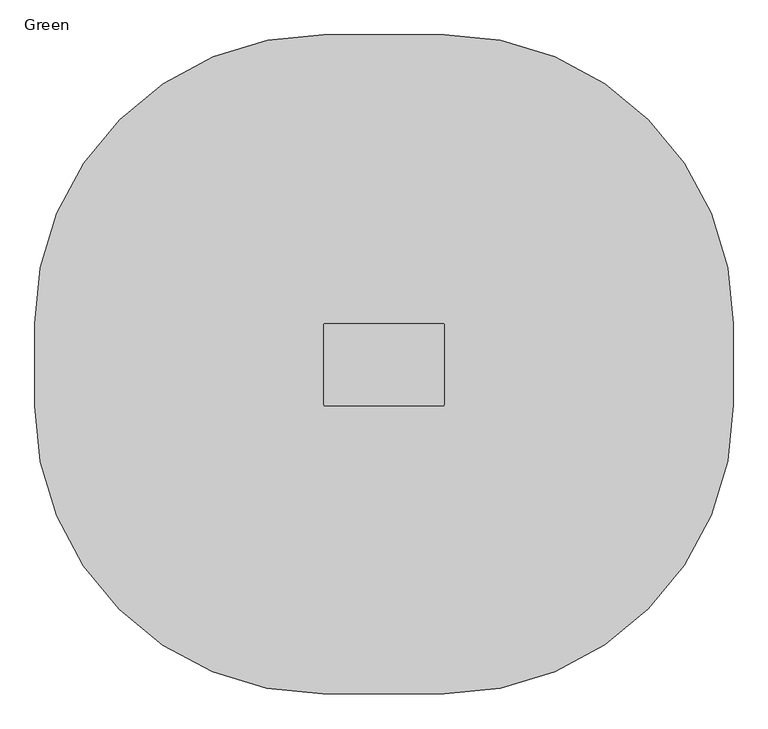
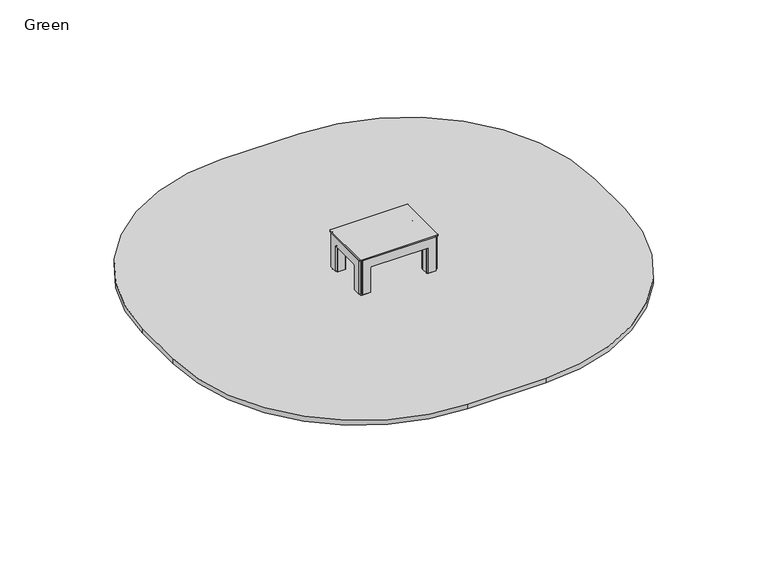
"""IFC4 building model written with IfcOpenShell, lengths in millimetres: furniture geometry, Green."""

from ifc_helpers import new_model, si_unit, point, frame, frame_2d, origin, place, context, project, spatial, polyline, circle_curve, trimmed, segment, composite_curve, outline, extrude, source, transform, mapped, element, save
from ifc_brep_helpers import plane_surface, cylinder_surface, extruded_surface, advanced_brep


def green_2e5a3dc1(model_context):
    return source(origin(), model_context, "Body", "SolidModel", [
        extrude(outline(composite_curve([segment(trimmed(circle_curve(frame_2d((295.0, 300.0)), 5.0), [point((300.0, 300.0))], [point((295.0, 295.0))], False, "CARTESIAN"), True, "CONTINUOUS"), segment(polyline([(295.0, 295.0), (235.0, 295.0)]), True, "CONTINUOUS"), segment(trimmed(circle_curve(frame_2d((235.0, 300.0)), 5.0), [point((235.0, 295.0))], [point((230.0, 300.0))], False, "CARTESIAN"), True, "CONTINUOUS"), segment(polyline([(230.0, 300.0), (230.0, 360.0)]), True, "CONTINUOUS"), segment(trimmed(circle_curve(frame_2d((235.0, 360.0)), 5.0), [point((230.0, 360.0))], [point((235.0, 365.0))], False, "CARTESIAN"), True, "CONTINUOUS"), segment(polyline([(235.0, 365.0), (295.0, 365.0)]), True, "CONTINUOUS"), segment(trimmed(circle_curve(frame_2d((295.0, 360.0)), 5.0), [point((295.0, 365.0))], [point((300.0, 360.0))], False, "CARTESIAN"), True, "CONTINUOUS"), segment(polyline([(300.0, 360.0), (300.0, 300.0)]), True, "CONTINUOUS")], self_intersect=False)), frame((0.0, 0.0, -600.0), z_axis=(0.0, 0.0, 1.0), x_axis=(1.0, 0.0, 0.0)), (0.0, 0.0, 1.0), 500.0),
        advanced_brep(
        [(355.0, 480.0, -600.0), (415.0, 420.0, -600.0), (415.0, 240.0, -600.0), (355.0, 180.0, -600.0), (175.0, 180.0, -600.0), (115.0, 240.0, -600.0), (115.0, 420.0, -600.0), (175.0, 480.0, -600.0), (175.0, 480.0, -460.0), (355.0, 480.0, -460.0), (115.0, 240.0, -460.0), (115.0, 420.0, -460.0), (355.0, 180.0, -460.0), (175.0, 180.0, -460.0), (415.0, 420.0, -460.0), (415.0, 240.0, -460.0), (252.7040451, 402.6989403, -250.0), (192.7040451, 342.6989403, -250.0), (192.7040451, 317.3010597, -250.0), (252.7040451, 257.3010597, -250.0), (277.2959549, 257.3010597, -250.0), (337.2959549, 317.3010597, -250.0), (337.2959549, 342.6989403, -250.0), (277.2959549, 402.6989403, -250.0)],
        [
            (0, 1, circle_curve(frame((355.0, 420.0, -600.0), z_axis=(0.0, 0.0, -1.0), x_axis=(1.0, 0.0, 0.0)), 60.0)),
            (1, 2),
            (2, 3, circle_curve(frame((355.0, 240.0, -600.0), z_axis=(0.0, 0.0, -1.0), x_axis=(1.0, 0.0, 0.0)), 60.0)),
            (3, 4),
            (4, 5, circle_curve(frame((175.0, 240.0, -600.0), z_axis=(0.0, 0.0, -1.0), x_axis=(1.0, 0.0, 0.0)), 60.0)),
            (5, 6),
            (6, 7, circle_curve(frame((175.0, 420.0, -600.0), z_axis=(0.0, 0.0, -1.0), x_axis=(1.0, 0.0, 0.0)), 60.0)),
            (7, 0),
            (7, 8),
            (8, 9),
            (9, 0),
            (5, 10),
            (10, 11),
            (11, 6),
            (3, 12),
            (12, 13),
            (13, 4),
            (1, 14),
            (14, 15),
            (15, 2),
            (16, 17, circle_curve(frame((252.7040451, 342.6989403, -250.0), z_axis=(0.0, 0.0, 1.0), x_axis=(1.0, 0.0, 0.0)), 60.0)),
            (17, 18),
            (18, 19, circle_curve(frame((252.7040451, 317.3010597, -250.0), z_axis=(0.0, 0.0, 1.0), x_axis=(1.0, 0.0, 0.0)), 60.0)),
            (19, 20),
            (20, 21, circle_curve(frame((277.2959549, 317.3010597, -250.0), z_axis=(0.0, 0.0, 1.0), x_axis=(1.0, 0.0, 0.0)), 60.0)),
            (21, 22),
            (22, 23, circle_curve(frame((277.2959549, 342.6989403, -250.0), z_axis=(0.0, 0.0, 1.0), x_axis=(1.0, 0.0, 0.0)), 60.0)),
            (23, 16),
            (17, 11),
            (10, 18),
            (19, 13),
            (12, 20),
            (21, 15),
            (14, 22),
            (23, 9),
            (8, 16),
            (11, 8, circle_curve(frame((175.0, 420.0, -460.0), z_axis=(0.0, 0.0, -1.0), x_axis=(1.0, 0.0, 0.0)), 60.0)),
            (13, 10, circle_curve(frame((175.0, 240.0, -460.0), z_axis=(0.0, 0.0, -1.0), x_axis=(1.0, 0.0, 0.0)), 60.0)),
            (15, 12, circle_curve(frame((355.0, 240.0, -460.0), z_axis=(0.0, 0.0, -1.0), x_axis=(1.0, 0.0, 0.0)), 60.0)),
            (9, 14, circle_curve(frame((355.0, 420.0, -460.0), z_axis=(0.0, 0.0, -1.0), x_axis=(1.0, 0.0, 0.0)), 60.0)),
        ],
        [
            plane_surface(frame((88.3670318, 480.0, -600.0), z_axis=(0.0, 0.0, -1.0), x_axis=(1.0, 0.0, 0.0))),
            plane_surface(frame((355.0, 480.0, -460.0), z_axis=(0.0, 1.0, 0.0), x_axis=(0.0, 0.0, -1.0))),
            plane_surface(frame((115.0, 420.0, -460.0), z_axis=(-1.0, 0.0, 0.0), x_axis=(0.0, 0.0, -1.0))),
            plane_surface(frame((175.0, 180.0, -460.0), z_axis=(0.0, -1.0, 0.0), x_axis=(0.0, 0.0, -1.0))),
            plane_surface(frame((415.0, 240.0, -460.0), z_axis=(1.0, 0.0, 0.0), x_axis=(0.0, 0.0, -1.0))),
            plane_surface(frame((265.0, 330.0, -250.0), z_axis=(0.0, 0.0, 1.0), x_axis=(-1.0, 0.0, 0.0))),
            plane_surface(frame((115.0, 330.0, -460.0), z_axis=(-0.9378559633153523, 0.0, 0.3470247715564883), x_axis=(0.0, -1.0, 0.0))),
            plane_surface(frame((265.0, 180.0, -460.0), z_axis=(0.0, -0.9384407279810882, 0.3454402988452927), x_axis=(1.0, 0.0, 0.0))),
            plane_surface(frame((415.0, 330.0, -460.0), z_axis=(0.9378559633153524, 0.0, 0.34702477155648764), x_axis=(0.0, 1.0, 0.0))),
            plane_surface(frame((265.0, 480.0, -460.0), z_axis=(0.0, 0.9384407279810884, 0.3454402988452924), x_axis=(-1.0, 0.0, 0.0))),
            cylinder_surface(frame((175.0, 420.0, -600.0), z_axis=(0.0, 0.0, 1.0), x_axis=(1.0, 0.0, 0.0)), 60.0),
            cylinder_surface(frame((175.0, 240.0, -600.0), z_axis=(0.0, 0.0, 1.0), x_axis=(1.0, 0.0, 0.0)), 60.0),
            cylinder_surface(frame((355.0, 240.0, -600.0), z_axis=(0.0, 0.0, 1.0), x_axis=(1.0, 0.0, 0.0)), 60.0),
            cylinder_surface(frame((355.0, 420.0, -600.0), z_axis=(0.0, 0.0, 1.0), x_axis=(1.0, 0.0, 0.0)), 60.0),
            extruded_surface(trimmed(circle_curve(frame((175.0, 420.0, -460.0), z_axis=(0.0, 0.0, 1.0), x_axis=(1.0, 0.0, 0.0)), 60.0), [point((175.0, 480.0, -460.0))], [point((115.0, 420.0, -460.0))], True, "CARTESIAN"), (77.7040451, -77.3010597, 210.0), 236.8826132404947),
            extruded_surface(trimmed(circle_curve(frame((355.0, 420.0, -460.0), z_axis=(0.0, 0.0, 1.0), x_axis=(1.0, 0.0, 0.0)), 60.0), [point((415.0, 420.0, -460.0))], [point((355.0, 480.0, -460.0))], True, "CARTESIAN"), (-77.70404509999997, -77.3010597, 210.0), 236.8826132404947),
            extruded_surface(trimmed(circle_curve(frame((175.0, 240.0, -460.0), z_axis=(0.0, 0.0, 1.0), x_axis=(1.0, 0.0, 0.0)), 60.0), [point((115.0, 240.0, -460.0))], [point((175.0, 180.0, -460.0))], True, "CARTESIAN"), (77.7040451, 77.3010597, 210.0), 236.8826132404947),
            extruded_surface(trimmed(circle_curve(frame((355.0, 240.0, -460.0), z_axis=(0.0, 0.0, 1.0), x_axis=(1.0, 0.0, 0.0)), 60.0), [point((355.0, 180.0, -460.0))], [point((415.0, 240.0, -460.0))], True, "CARTESIAN"), (-77.70404509999997, 77.3010597, 210.0), 236.8826132404947),
        ],
        [
            (0, [[1, 2, 3, 4, 5, 6, 7, 8]]),
            (1, [[-8, 9, 10, 11]]),
            (2, [[-6, 12, 13, 14]]),
            (3, [[-4, 15, 16, 17]]),
            (4, [[-2, 18, 19, 20]]),
            (5, [[21, 22, 23, 24, 25, 26, 27, 28]]),
            (6, [[-22, 29, -13, 30]]),
            (7, [[-24, 31, -16, 32]]),
            (8, [[-26, 33, -19, 34]]),
            (9, [[-28, 35, -10, 36]]),
            (10, [[-7, -14, 37, -9]]),
            (11, [[-5, -17, 38, -12]]),
            (12, [[-3, -20, 39, -15]]),
            (13, [[-1, -11, 40, -18]]),
            (14, [[-21, -36, -37, -29]]),
            (15, [[-27, -34, -40, -35]]),
            (16, [[-23, -30, -38, -31]]),
            (17, [[-25, -32, -39, -33]]),
        ],
    ),
        extrude(outline(composite_curve([segment(trimmed(circle_curve(frame_2d((295.0, -30.0)), 5.0), [point((300.0, -30.0))], [point((295.0, -35.0))], False, "CARTESIAN"), True, "CONTINUOUS"), segment(polyline([(295.0, -35.0), (235.0, -35.0)]), True, "CONTINUOUS"), segment(trimmed(circle_curve(frame_2d((235.0, -30.0)), 5.0), [point((235.0, -35.0))], [point((230.0, -30.0))], False, "CARTESIAN"), True, "CONTINUOUS"), segment(polyline([(230.0, -30.0), (230.0, 30.0)]), True, "CONTINUOUS"), segment(trimmed(circle_curve(frame_2d((235.0, 30.0)), 5.0), [point((230.0, 30.0))], [point((235.0, 35.0))], False, "CARTESIAN"), True, "CONTINUOUS"), segment(polyline([(235.0, 35.0), (295.0, 35.0)]), True, "CONTINUOUS"), segment(trimmed(circle_curve(frame_2d((295.0, 30.0)), 5.0), [point((295.0, 35.0))], [point((300.0, 30.0))], False, "CARTESIAN"), True, "CONTINUOUS"), segment(polyline([(300.0, 30.0), (300.0, -30.0)]), True, "CONTINUOUS")], self_intersect=False)), frame((0.0, 0.0, -600.0), z_axis=(0.0, 0.0, 1.0), x_axis=(1.0, 0.0, 0.0)), (0.0, 0.0, 1.0), 500.0),
        advanced_brep(
        [(355.0, 150.0, -600.0), (415.0, 90.0, -600.0), (415.0, -90.0, -600.0), (355.0, -150.0, -600.0), (175.0, -150.0, -600.0), (115.0, -90.0, -600.0), (115.0, 90.0, -600.0), (175.0, 150.0, -600.0), (175.0, 150.0, -460.0), (355.0, 150.0, -460.0), (115.0, -90.0, -460.0), (115.0, 90.0, -460.0), (355.0, -150.0, -460.0), (175.0, -150.0, -460.0), (415.0, 90.0, -460.0), (415.0, -90.0, -460.0), (252.7040451, 72.6989403, -250.0), (192.7040451, 12.6989403, -250.0), (192.7040451, -12.6989403, -250.0), (252.7040451, -72.6989403, -250.0), (277.2959549, -72.6989403, -250.0), (337.2959549, -12.6989403, -250.0), (337.2959549, 12.6989403, -250.0), (277.2959549, 72.6989403, -250.0)],
        [
            (0, 1, circle_curve(frame((355.0, 90.0, -600.0), z_axis=(0.0, 0.0, -1.0), x_axis=(1.0, 0.0, 0.0)), 60.0)),
            (1, 2),
            (2, 3, circle_curve(frame((355.0, -90.0, -600.0), z_axis=(0.0, 0.0, -1.0), x_axis=(1.0, 0.0, 0.0)), 60.0)),
            (3, 4),
            (4, 5, circle_curve(frame((175.0, -90.0, -600.0), z_axis=(0.0, 0.0, -1.0), x_axis=(1.0, 0.0, 0.0)), 60.0)),
            (5, 6),
            (6, 7, circle_curve(frame((175.0, 90.0, -600.0), z_axis=(0.0, 0.0, -1.0), x_axis=(1.0, 0.0, 0.0)), 60.0)),
            (7, 0),
            (7, 8),
            (8, 9),
            (9, 0),
            (5, 10),
            (10, 11),
            (11, 6),
            (3, 12),
            (12, 13),
            (13, 4),
            (1, 14),
            (14, 15),
            (15, 2),
            (16, 17, circle_curve(frame((252.7040451, 12.6989403, -250.0), z_axis=(0.0, 0.0, 1.0), x_axis=(1.0, 0.0, 0.0)), 60.0)),
            (17, 18),
            (18, 19, circle_curve(frame((252.7040451, -12.6989403, -250.0), z_axis=(0.0, 0.0, 1.0), x_axis=(1.0, 0.0, 0.0)), 60.0)),
            (19, 20),
            (20, 21, circle_curve(frame((277.2959549, -12.6989403, -250.0), z_axis=(0.0, 0.0, 1.0), x_axis=(1.0, 0.0, 0.0)), 60.0)),
            (21, 22),
            (22, 23, circle_curve(frame((277.2959549, 12.6989403, -250.0), z_axis=(0.0, 0.0, 1.0), x_axis=(1.0, 0.0, 0.0)), 60.0)),
            (23, 16),
            (17, 11),
            (10, 18),
            (19, 13),
            (12, 20),
            (21, 15),
            (14, 22),
            (23, 9),
            (8, 16),
            (11, 8, circle_curve(frame((175.0, 90.0, -460.0), z_axis=(0.0, 0.0, -1.0), x_axis=(1.0, 0.0, 0.0)), 60.0)),
            (13, 10, circle_curve(frame((175.0, -90.0, -460.0), z_axis=(0.0, 0.0, -1.0), x_axis=(1.0, 0.0, 0.0)), 60.0)),
            (15, 12, circle_curve(frame((355.0, -90.0, -460.0), z_axis=(0.0, 0.0, -1.0), x_axis=(1.0, 0.0, 0.0)), 60.0)),
            (9, 14, circle_curve(frame((355.0, 90.0, -460.0), z_axis=(0.0, 0.0, -1.0), x_axis=(1.0, 0.0, 0.0)), 60.0)),
        ],
        [
            plane_surface(frame((88.3670318, 150.0, -600.0), z_axis=(0.0, 0.0, -1.0), x_axis=(1.0, 0.0, 0.0))),
            plane_surface(frame((355.0, 150.0, -460.0), z_axis=(0.0, 1.0, 0.0), x_axis=(0.0, 0.0, -1.0))),
            plane_surface(frame((115.0, 90.0, -460.0), z_axis=(-1.0, 0.0, 0.0), x_axis=(0.0, 0.0, -1.0))),
            plane_surface(frame((175.0, -150.0, -460.0), z_axis=(0.0, -1.0, 0.0), x_axis=(0.0, 0.0, -1.0))),
            plane_surface(frame((415.0, -90.0, -460.0), z_axis=(1.0, 0.0, 0.0), x_axis=(0.0, 0.0, -1.0))),
            plane_surface(frame((265.0, 0.0, -250.0), z_axis=(0.0, 0.0, 1.0), x_axis=(-1.0, 0.0, 0.0))),
            plane_surface(frame((115.0, 0.0, -460.0), z_axis=(-0.9378559633153523, 0.0, 0.3470247715564883), x_axis=(0.0, -1.0, 0.0))),
            plane_surface(frame((265.0, -150.0, -460.0), z_axis=(0.0, -0.9384407279810882, 0.3454402988452927), x_axis=(1.0, 0.0, 0.0))),
            plane_surface(frame((415.0, 0.0, -460.0), z_axis=(0.9378559633153524, 0.0, 0.34702477155648764), x_axis=(0.0, 1.0, 0.0))),
            plane_surface(frame((265.0, 150.0, -460.0), z_axis=(0.0, 0.9384407279810884, 0.3454402988452924), x_axis=(-1.0, 0.0, 0.0))),
            cylinder_surface(frame((175.0, 90.0, -600.0), z_axis=(0.0, 0.0, 1.0), x_axis=(1.0, 0.0, 0.0)), 60.0),
            cylinder_surface(frame((175.0, -90.0, -600.0), z_axis=(0.0, 0.0, 1.0), x_axis=(1.0, 0.0, 0.0)), 60.0),
            cylinder_surface(frame((355.0, -90.0, -600.0), z_axis=(0.0, 0.0, 1.0), x_axis=(1.0, 0.0, 0.0)), 60.0),
            cylinder_surface(frame((355.0, 90.0, -600.0), z_axis=(0.0, 0.0, 1.0), x_axis=(1.0, 0.0, 0.0)), 60.0),
            extruded_surface(trimmed(circle_curve(frame((175.0, 90.0, -460.0), z_axis=(0.0, 0.0, 1.0), x_axis=(1.0, 0.0, 0.0)), 60.0), [point((175.0, 150.0, -460.0))], [point((115.0, 90.0, -460.0))], True, "CARTESIAN"), (77.7040451, -77.3010597, 210.0), 236.8826132404947),
            extruded_surface(trimmed(circle_curve(frame((355.0, 90.0, -460.0), z_axis=(0.0, 0.0, 1.0), x_axis=(1.0, 0.0, 0.0)), 60.0), [point((415.0, 90.0, -460.0))], [point((355.0, 150.0, -460.0))], True, "CARTESIAN"), (-77.70404509999997, -77.3010597, 210.0), 236.8826132404947),
            extruded_surface(trimmed(circle_curve(frame((175.0, -90.0, -460.0), z_axis=(0.0, 0.0, 1.0), x_axis=(1.0, 0.0, 0.0)), 60.0), [point((115.0, -90.0, -460.0))], [point((175.0, -150.0, -460.0))], True, "CARTESIAN"), (77.7040451, 77.3010597, 210.0), 236.8826132404947),
            extruded_surface(trimmed(circle_curve(frame((355.0, -90.0, -460.0), z_axis=(0.0, 0.0, 1.0), x_axis=(1.0, 0.0, 0.0)), 60.0), [point((355.0, -150.0, -460.0))], [point((415.0, -90.0, -460.0))], True, "CARTESIAN"), (-77.70404509999997, 77.3010597, 210.0), 236.8826132404947),
        ],
        [
            (0, [[1, 2, 3, 4, 5, 6, 7, 8]]),
            (1, [[-8, 9, 10, 11]]),
            (2, [[-6, 12, 13, 14]]),
            (3, [[-4, 15, 16, 17]]),
            (4, [[-2, 18, 19, 20]]),
            (5, [[21, 22, 23, 24, 25, 26, 27, 28]]),
            (6, [[-22, 29, -13, 30]]),
            (7, [[-24, 31, -16, 32]]),
            (8, [[-26, 33, -19, 34]]),
            (9, [[-28, 35, -10, 36]]),
            (10, [[-7, -14, 37, -9]]),
            (11, [[-5, -17, 38, -12]]),
            (12, [[-3, -20, 39, -15]]),
            (13, [[-1, -11, 40, -18]]),
            (14, [[-21, -36, -37, -29]]),
            (15, [[-27, -34, -40, -35]]),
            (16, [[-23, -30, -38, -31]]),
            (17, [[-25, -32, -39, -33]]),
        ],
    ),
        extrude(outline(composite_curve([segment(trimmed(circle_curve(frame_2d((-235.0, -30.0)), 5.0), [point((-230.0, -30.0))], [point((-235.0, -35.0))], False, "CARTESIAN"), True, "CONTINUOUS"), segment(polyline([(-235.0, -35.0), (-295.0, -35.0)]), True, "CONTINUOUS"), segment(trimmed(circle_curve(frame_2d((-295.0, -30.0)), 5.0), [point((-295.0, -35.0))], [point((-300.0, -30.0))], False, "CARTESIAN"), True, "CONTINUOUS"), segment(polyline([(-300.0, -30.0), (-300.0, 30.0)]), True, "CONTINUOUS"), segment(trimmed(circle_curve(frame_2d((-295.0, 30.0)), 5.0), [point((-300.0, 30.0))], [point((-295.0, 35.0))], False, "CARTESIAN"), True, "CONTINUOUS"), segment(polyline([(-295.0, 35.0), (-235.0, 35.0)]), True, "CONTINUOUS"), segment(trimmed(circle_curve(frame_2d((-235.0, 30.0)), 5.0), [point((-235.0, 35.0))], [point((-230.0, 30.0))], False, "CARTESIAN"), True, "CONTINUOUS"), segment(polyline([(-230.0, 30.0), (-230.0, -30.0)]), True, "CONTINUOUS")], self_intersect=False)), frame((0.0, 0.0, -600.0), z_axis=(0.0, 0.0, 1.0), x_axis=(1.0, 0.0, 0.0)), (0.0, 0.0, 1.0), 500.0),
        advanced_brep(
        [(-175.0, 150.0, -600.0), (-115.0, 90.0, -600.0), (-115.0, -90.0, -600.0), (-175.0, -150.0, -600.0), (-355.0, -150.0, -600.0), (-415.0, -90.0, -600.0), (-415.0, 90.0, -600.0), (-355.0, 150.0, -600.0), (-355.0, 150.0, -460.0), (-175.0, 150.0, -460.0), (-415.0, -90.0, -460.0), (-415.0, 90.0, -460.0), (-175.0, -150.0, -460.0), (-355.0, -150.0, -460.0), (-115.0, 90.0, -460.0), (-115.0, -90.0, -460.0), (-277.2959549, 72.6989403, -250.0), (-337.2959549, 12.6989403, -250.0), (-337.2959549, -12.6989403, -250.0), (-277.2959549, -72.6989403, -250.0), (-252.7040451, -72.6989403, -250.0), (-192.7040451, -12.6989403, -250.0), (-192.7040451, 12.6989403, -250.0), (-252.7040451, 72.6989403, -250.0)],
        [
            (0, 1, circle_curve(frame((-175.0, 90.0, -600.0), z_axis=(0.0, 0.0, -1.0), x_axis=(1.0, 0.0, 0.0)), 60.0)),
            (1, 2),
            (2, 3, circle_curve(frame((-175.0, -90.0, -600.0), z_axis=(0.0, 0.0, -1.0), x_axis=(1.0, 0.0, 0.0)), 60.0)),
            (3, 4),
            (4, 5, circle_curve(frame((-355.0, -90.0, -600.0), z_axis=(0.0, 0.0, -1.0), x_axis=(1.0, 0.0, 0.0)), 60.0)),
            (5, 6),
            (6, 7, circle_curve(frame((-355.0, 90.0, -600.0), z_axis=(0.0, 0.0, -1.0), x_axis=(1.0, 0.0, 0.0)), 60.0)),
            (7, 0),
            (7, 8),
            (8, 9),
            (9, 0),
            (5, 10),
            (10, 11),
            (11, 6),
            (3, 12),
            (12, 13),
            (13, 4),
            (1, 14),
            (14, 15),
            (15, 2),
            (16, 17, circle_curve(frame((-277.2959549, 12.6989403, -250.0), z_axis=(0.0, 0.0, 1.0), x_axis=(1.0, 0.0, 0.0)), 60.0)),
            (17, 18),
            (18, 19, circle_curve(frame((-277.2959549, -12.6989403, -250.0), z_axis=(0.0, 0.0, 1.0), x_axis=(1.0, 0.0, 0.0)), 60.0)),
            (19, 20),
            (20, 21, circle_curve(frame((-252.7040451, -12.6989403, -250.0), z_axis=(0.0, 0.0, 1.0), x_axis=(1.0, 0.0, 0.0)), 60.0)),
            (21, 22),
            (22, 23, circle_curve(frame((-252.7040451, 12.6989403, -250.0), z_axis=(0.0, 0.0, 1.0), x_axis=(1.0, 0.0, 0.0)), 60.0)),
            (23, 16),
            (17, 11),
            (10, 18),
            (19, 13),
            (12, 20),
            (21, 15),
            (14, 22),
            (23, 9),
            (8, 16),
            (11, 8, circle_curve(frame((-355.0, 90.0, -460.0), z_axis=(0.0, 0.0, -1.0), x_axis=(1.0, 0.0, 0.0)), 60.0)),
            (13, 10, circle_curve(frame((-355.0, -90.0, -460.0), z_axis=(0.0, 0.0, -1.0), x_axis=(1.0, 0.0, 0.0)), 60.0)),
            (15, 12, circle_curve(frame((-175.0, -90.0, -460.0), z_axis=(0.0, 0.0, -1.0), x_axis=(1.0, 0.0, 0.0)), 60.0)),
            (9, 14, circle_curve(frame((-175.0, 90.0, -460.0), z_axis=(0.0, 0.0, -1.0), x_axis=(1.0, 0.0, 0.0)), 60.0)),
        ],
        [
            plane_surface(frame((-441.6329682, 150.0, -600.0), z_axis=(0.0, 0.0, -1.0), x_axis=(1.0, 0.0, 0.0))),
            plane_surface(frame((-175.0, 150.0, -460.0), z_axis=(0.0, 1.0, 0.0), x_axis=(0.0, 0.0, -1.0))),
            plane_surface(frame((-415.0, 90.0, -460.0), z_axis=(-1.0, 0.0, 0.0), x_axis=(0.0, 0.0, -1.0))),
            plane_surface(frame((-355.0, -150.0, -460.0), z_axis=(0.0, -1.0, 0.0), x_axis=(0.0, 0.0, -1.0))),
            plane_surface(frame((-115.0, -90.0, -460.0), z_axis=(1.0, 0.0, 0.0), x_axis=(0.0, 0.0, -1.0))),
            plane_surface(frame((-265.0, 0.0, -250.0), z_axis=(0.0, 0.0, 1.0), x_axis=(-1.0, 0.0, 0.0))),
            plane_surface(frame((-415.0, 0.0, -460.0), z_axis=(-0.9378559633153523, 0.0, 0.3470247715564883), x_axis=(0.0, -1.0, 0.0))),
            plane_surface(frame((-265.0, -150.0, -460.0), z_axis=(0.0, -0.9384407279810882, 0.3454402988452927), x_axis=(1.0, 0.0, 0.0))),
            plane_surface(frame((-115.0, 0.0, -460.0), z_axis=(0.9378559633153524, 0.0, 0.34702477155648764), x_axis=(0.0, 1.0, 0.0))),
            plane_surface(frame((-265.0, 150.0, -460.0), z_axis=(0.0, 0.9384407279810884, 0.3454402988452924), x_axis=(-1.0, 0.0, 0.0))),
            cylinder_surface(frame((-355.0, 90.0, -600.0), z_axis=(0.0, 0.0, 1.0), x_axis=(1.0, 0.0, 0.0)), 60.0),
            cylinder_surface(frame((-355.0, -90.0, -600.0), z_axis=(0.0, 0.0, 1.0), x_axis=(1.0, 0.0, 0.0)), 60.0),
            cylinder_surface(frame((-175.0, -90.0, -600.0), z_axis=(0.0, 0.0, 1.0), x_axis=(1.0, 0.0, 0.0)), 60.0),
            cylinder_surface(frame((-175.0, 90.0, -600.0), z_axis=(0.0, 0.0, 1.0), x_axis=(1.0, 0.0, 0.0)), 60.0),
            extruded_surface(trimmed(circle_curve(frame((-355.0, 90.0, -460.0), z_axis=(0.0, 0.0, 1.0), x_axis=(1.0, 0.0, 0.0)), 60.0), [point((-355.0, 150.0, -460.0))], [point((-415.0, 90.0, -460.0))], True, "CARTESIAN"), (77.70404509999997, -77.3010597, 210.0), 236.8826132404947),
            extruded_surface(trimmed(circle_curve(frame((-175.0, 90.0, -460.0), z_axis=(0.0, 0.0, 1.0), x_axis=(1.0, 0.0, 0.0)), 60.0), [point((-115.0, 90.0, -460.0))], [point((-175.0, 150.0, -460.0))], True, "CARTESIAN"), (-77.7040451, -77.3010597, 210.0), 236.8826132404947),
            extruded_surface(trimmed(circle_curve(frame((-355.0, -90.0, -460.0), z_axis=(0.0, 0.0, 1.0), x_axis=(1.0, 0.0, 0.0)), 60.0), [point((-415.0, -90.0, -460.0))], [point((-355.0, -150.0, -460.0))], True, "CARTESIAN"), (77.70404509999997, 77.3010597, 210.0), 236.8826132404947),
            extruded_surface(trimmed(circle_curve(frame((-175.0, -90.0, -460.0), z_axis=(0.0, 0.0, 1.0), x_axis=(1.0, 0.0, 0.0)), 60.0), [point((-175.0, -150.0, -460.0))], [point((-115.0, -90.0, -460.0))], True, "CARTESIAN"), (-77.7040451, 77.3010597, 210.0), 236.8826132404947),
        ],
        [
            (0, [[1, 2, 3, 4, 5, 6, 7, 8]]),
            (1, [[-8, 9, 10, 11]]),
            (2, [[-6, 12, 13, 14]]),
            (3, [[-4, 15, 16, 17]]),
            (4, [[-2, 18, 19, 20]]),
            (5, [[21, 22, 23, 24, 25, 26, 27, 28]]),
            (6, [[-22, 29, -13, 30]]),
            (7, [[-24, 31, -16, 32]]),
            (8, [[-26, 33, -19, 34]]),
            (9, [[-28, 35, -10, 36]]),
            (10, [[-7, -14, 37, -9]]),
            (11, [[-5, -17, 38, -12]]),
            (12, [[-3, -20, 39, -15]]),
            (13, [[-1, -11, 40, -18]]),
            (14, [[-21, -36, -37, -29]]),
            (15, [[-27, -34, -40, -35]]),
            (16, [[-23, -30, -38, -31]]),
            (17, [[-25, -32, -39, -33]]),
        ],
    ),
        extrude(outline(composite_curve([segment(trimmed(circle_curve(frame_2d((-235.0, 300.0)), 5.0), [point((-230.0, 300.0))], [point((-235.0, 295.0))], False, "CARTESIAN"), True, "CONTINUOUS"), segment(polyline([(-235.0, 295.0), (-295.0, 295.0)]), True, "CONTINUOUS"), segment(trimmed(circle_curve(frame_2d((-295.0, 300.0)), 5.0), [point((-295.0, 295.0))], [point((-300.0, 300.0))], False, "CARTESIAN"), True, "CONTINUOUS"), segment(polyline([(-300.0, 300.0), (-300.0, 360.0)]), True, "CONTINUOUS"), segment(trimmed(circle_curve(frame_2d((-295.0, 360.0)), 5.0), [point((-300.0, 360.0))], [point((-295.0, 365.0))], False, "CARTESIAN"), True, "CONTINUOUS"), segment(polyline([(-295.0, 365.0), (-235.0, 365.0)]), True, "CONTINUOUS"), segment(trimmed(circle_curve(frame_2d((-235.0, 360.0)), 5.0), [point((-235.0, 365.0))], [point((-230.0, 360.0))], False, "CARTESIAN"), True, "CONTINUOUS"), segment(polyline([(-230.0, 360.0), (-230.0, 300.0)]), True, "CONTINUOUS")], self_intersect=False)), frame((0.0, 0.0, -600.0), z_axis=(0.0, 0.0, 1.0), x_axis=(1.0, 0.0, 0.0)), (0.0, 0.0, 1.0), 500.0),
        advanced_brep(
        [(-175.0, 480.0, -600.0), (-115.0, 420.0, -600.0), (-115.0, 240.0, -600.0), (-175.0, 180.0, -600.0), (-355.0, 180.0, -600.0), (-415.0, 240.0, -600.0), (-415.0, 420.0, -600.0), (-355.0, 480.0, -600.0), (-355.0, 480.0, -460.0), (-175.0, 480.0, -460.0), (-415.0, 240.0, -460.0), (-415.0, 420.0, -460.0), (-175.0, 180.0, -460.0), (-355.0, 180.0, -460.0), (-115.0, 420.0, -460.0), (-115.0, 240.0, -460.0), (-277.2959549, 402.6989403, -250.0), (-337.2959549, 342.6989403, -250.0), (-337.2959549, 317.3010597, -250.0), (-277.2959549, 257.3010597, -250.0), (-252.7040451, 257.3010597, -250.0), (-192.7040451, 317.3010597, -250.0), (-192.7040451, 342.6989403, -250.0), (-252.7040451, 402.6989403, -250.0)],
        [
            (0, 1, circle_curve(frame((-175.0, 420.0, -600.0), z_axis=(0.0, 0.0, -1.0), x_axis=(1.0, 0.0, 0.0)), 60.0)),
            (1, 2),
            (2, 3, circle_curve(frame((-175.0, 240.0, -600.0), z_axis=(0.0, 0.0, -1.0), x_axis=(1.0, 0.0, 0.0)), 60.0)),
            (3, 4),
            (4, 5, circle_curve(frame((-355.0, 240.0, -600.0), z_axis=(0.0, 0.0, -1.0), x_axis=(1.0, 0.0, 0.0)), 60.0)),
            (5, 6),
            (6, 7, circle_curve(frame((-355.0, 420.0, -600.0), z_axis=(0.0, 0.0, -1.0), x_axis=(1.0, 0.0, 0.0)), 60.0)),
            (7, 0),
            (7, 8),
            (8, 9),
            (9, 0),
            (5, 10),
            (10, 11),
            (11, 6),
            (3, 12),
            (12, 13),
            (13, 4),
            (1, 14),
            (14, 15),
            (15, 2),
            (16, 17, circle_curve(frame((-277.2959549, 342.6989403, -250.0), z_axis=(0.0, 0.0, 1.0), x_axis=(1.0, 0.0, 0.0)), 60.0)),
            (17, 18),
            (18, 19, circle_curve(frame((-277.2959549, 317.3010597, -250.0), z_axis=(0.0, 0.0, 1.0), x_axis=(1.0, 0.0, 0.0)), 60.0)),
            (19, 20),
            (20, 21, circle_curve(frame((-252.7040451, 317.3010597, -250.0), z_axis=(0.0, 0.0, 1.0), x_axis=(1.0, 0.0, 0.0)), 60.0)),
            (21, 22),
            (22, 23, circle_curve(frame((-252.7040451, 342.6989403, -250.0), z_axis=(0.0, 0.0, 1.0), x_axis=(1.0, 0.0, 0.0)), 60.0)),
            (23, 16),
            (17, 11),
            (10, 18),
            (19, 13),
            (12, 20),
            (21, 15),
            (14, 22),
            (23, 9),
            (8, 16),
            (11, 8, circle_curve(frame((-355.0, 420.0, -460.0), z_axis=(0.0, 0.0, -1.0), x_axis=(1.0, 0.0, 0.0)), 60.0)),
            (13, 10, circle_curve(frame((-355.0, 240.0, -460.0), z_axis=(0.0, 0.0, -1.0), x_axis=(1.0, 0.0, 0.0)), 60.0)),
            (15, 12, circle_curve(frame((-175.0, 240.0, -460.0), z_axis=(0.0, 0.0, -1.0), x_axis=(1.0, 0.0, 0.0)), 60.0)),
            (9, 14, circle_curve(frame((-175.0, 420.0, -460.0), z_axis=(0.0, 0.0, -1.0), x_axis=(1.0, 0.0, 0.0)), 60.0)),
        ],
        [
            plane_surface(frame((-441.6329682, 480.0, -600.0), z_axis=(0.0, 0.0, -1.0), x_axis=(1.0, 0.0, 0.0))),
            plane_surface(frame((-175.0, 480.0, -460.0), z_axis=(0.0, 1.0, 0.0), x_axis=(0.0, 0.0, -1.0))),
            plane_surface(frame((-415.0, 420.0, -460.0), z_axis=(-1.0, 0.0, 0.0), x_axis=(0.0, 0.0, -1.0))),
            plane_surface(frame((-355.0, 180.0, -460.0), z_axis=(0.0, -1.0, 0.0), x_axis=(0.0, 0.0, -1.0))),
            plane_surface(frame((-115.0, 240.0, -460.0), z_axis=(1.0, 0.0, 0.0), x_axis=(0.0, 0.0, -1.0))),
            plane_surface(frame((-265.0, 330.0, -250.0), z_axis=(0.0, 0.0, 1.0), x_axis=(-1.0, 0.0, 0.0))),
            plane_surface(frame((-415.0, 330.0, -460.0), z_axis=(-0.9378559633153523, 0.0, 0.3470247715564883), x_axis=(0.0, -1.0, 0.0))),
            plane_surface(frame((-265.0, 180.0, -460.0), z_axis=(0.0, -0.9384407279810882, 0.3454402988452927), x_axis=(1.0, 0.0, 0.0))),
            plane_surface(frame((-115.0, 330.0, -460.0), z_axis=(0.9378559633153524, 0.0, 0.34702477155648764), x_axis=(0.0, 1.0, 0.0))),
            plane_surface(frame((-265.0, 480.0, -460.0), z_axis=(0.0, 0.9384407279810884, 0.3454402988452924), x_axis=(-1.0, 0.0, 0.0))),
            cylinder_surface(frame((-355.0, 420.0, -600.0), z_axis=(0.0, 0.0, 1.0), x_axis=(1.0, 0.0, 0.0)), 60.0),
            cylinder_surface(frame((-355.0, 240.0, -600.0), z_axis=(0.0, 0.0, 1.0), x_axis=(1.0, 0.0, 0.0)), 60.0),
            cylinder_surface(frame((-175.0, 240.0, -600.0), z_axis=(0.0, 0.0, 1.0), x_axis=(1.0, 0.0, 0.0)), 60.0),
            cylinder_surface(frame((-175.0, 420.0, -600.0), z_axis=(0.0, 0.0, 1.0), x_axis=(1.0, 0.0, 0.0)), 60.0),
            extruded_surface(trimmed(circle_curve(frame((-355.0, 420.0, -460.0), z_axis=(0.0, 0.0, 1.0), x_axis=(1.0, 0.0, 0.0)), 60.0), [point((-355.0, 480.0, -460.0))], [point((-415.0, 420.0, -460.0))], True, "CARTESIAN"), (77.70404509999997, -77.3010597, 210.0), 236.8826132404947),
            extruded_surface(trimmed(circle_curve(frame((-175.0, 420.0, -460.0), z_axis=(0.0, 0.0, 1.0), x_axis=(1.0, 0.0, 0.0)), 60.0), [point((-115.0, 420.0, -460.0))], [point((-175.0, 480.0, -460.0))], True, "CARTESIAN"), (-77.7040451, -77.3010597, 210.0), 236.8826132404947),
            extruded_surface(trimmed(circle_curve(frame((-355.0, 240.0, -460.0), z_axis=(0.0, 0.0, 1.0), x_axis=(1.0, 0.0, 0.0)), 60.0), [point((-415.0, 240.0, -460.0))], [point((-355.0, 180.0, -460.0))], True, "CARTESIAN"), (77.70404509999997, 77.3010597, 210.0), 236.8826132404947),
            extruded_surface(trimmed(circle_curve(frame((-175.0, 240.0, -460.0), z_axis=(0.0, 0.0, 1.0), x_axis=(1.0, 0.0, 0.0)), 60.0), [point((-175.0, 180.0, -460.0))], [point((-115.0, 240.0, -460.0))], True, "CARTESIAN"), (-77.7040451, 77.3010597, 210.0), 236.8826132404947),
        ],
        [
            (0, [[1, 2, 3, 4, 5, 6, 7, 8]]),
            (1, [[-8, 9, 10, 11]]),
            (2, [[-6, 12, 13, 14]]),
            (3, [[-4, 15, 16, 17]]),
            (4, [[-2, 18, 19, 20]]),
            (5, [[21, 22, 23, 24, 25, 26, 27, 28]]),
            (6, [[-22, 29, -13, 30]]),
            (7, [[-24, 31, -16, 32]]),
            (8, [[-26, 33, -19, 34]]),
            (9, [[-28, 35, -10, 36]]),
            (10, [[-7, -14, 37, -9]]),
            (11, [[-5, -17, 38, -12]]),
            (12, [[-3, -20, 39, -15]]),
            (13, [[-1, -11, 40, -18]]),
            (14, [[-21, -36, -37, -29]]),
            (15, [[-27, -34, -40, -35]]),
            (16, [[-23, -30, -38, -31]]),
            (17, [[-25, -32, -39, -33]]),
        ],
    ),
        extrude(outline(composite_curve([segment(trimmed(circle_curve(frame_2d((307.0, 372.0)), 5.0), [point((307.0, 377.0))], [point((312.0, 372.0))], False, "CARTESIAN"), True, "CONTINUOUS"), segment(polyline([(312.0, 372.0), (312.0, -42.0)]), True, "CONTINUOUS"), segment(trimmed(circle_curve(frame_2d((307.0, -42.0)), 5.0), [point((312.0, -42.0))], [point((307.0, -47.0))], False, "CARTESIAN"), True, "CONTINUOUS"), segment(polyline([(307.0, -47.0), (-307.0, -47.0)]), True, "CONTINUOUS"), segment(trimmed(circle_curve(frame_2d((-307.0, -42.0)), 5.0), [point((-307.0, -47.0))], [point((-312.0, -42.0))], False, "CARTESIAN"), True, "CONTINUOUS"), segment(polyline([(-312.0, -42.0), (-312.0, 372.0)]), True, "CONTINUOUS"), segment(trimmed(circle_curve(frame_2d((-307.0, 372.0)), 5.0), [point((-312.0, 372.0))], [point((-307.0, 377.0))], False, "CARTESIAN"), True, "CONTINUOUS"), segment(polyline([(-307.0, 377.0), (307.0, 377.0)]), True, "CONTINUOUS")], self_intersect=False)), frame((0.0, 0.0, 300.0), z_axis=(0.0, 0.0, 1.0), x_axis=(1.0, 0.0, 0.0)), (0.0, 0.0, 1.0), 12.0),
        extrude(outline(composite_curve([segment(polyline([(-25.0, 300.0), (355.0, 300.0)]), True, "CONTINUOUS"), segment(trimmed(circle_curve(frame_2d((355.0, 295.0)), 5.0), [point((355.0, 300.0))], [point((360.0, 295.0))], False, "CARTESIAN"), True, "CONTINUOUS"), segment(polyline([(360.0, 295.0), (360.0, 12.3136354), (295.0, 12.3136354), (295.0, 220.0)]), True, "CONTINUOUS"), segment(trimmed(circle_curve(frame_2d((290.0, 220.0)), 5.0), [point((295.0, 220.0))], [point((290.0, 225.0))], True, "CARTESIAN"), True, "CONTINUOUS"), segment(polyline([(290.0, 225.0), (40.0, 225.0)]), True, "CONTINUOUS"), segment(trimmed(circle_curve(frame_2d((40.0, 220.0)), 5.0), [point((40.0, 225.0))], [point((35.0, 220.0))], True, "CARTESIAN"), True, "CONTINUOUS"), segment(polyline([(35.0, 220.0), (35.0, 12.3136354), (-30.0, 12.3136354), (-30.0, 295.0)]), True, "CONTINUOUS"), segment(trimmed(circle_curve(frame_2d((-25.0, 295.0)), 5.0), [point((-30.0, 295.0))], [point((-25.0, 300.0))], False, "CARTESIAN"), True, "CONTINUOUS")], self_intersect=False)), frame((300.0, 0.0, 0.0), z_axis=(1.0, 0.0, 0.0), x_axis=(0.0, 1.0, 0.0)), (0.0, 0.0, 1.0), 12.0),
        extrude(outline(composite_curve([segment(polyline([(-25.0, 300.0), (355.0, 300.0)]), True, "CONTINUOUS"), segment(trimmed(circle_curve(frame_2d((355.0, 295.0)), 5.0), [point((355.0, 300.0))], [point((360.0, 295.0))], False, "CARTESIAN"), True, "CONTINUOUS"), segment(polyline([(360.0, 295.0), (360.0, 12.3136354), (295.0, 12.3136354), (295.0, 220.0)]), True, "CONTINUOUS"), segment(trimmed(circle_curve(frame_2d((290.0, 220.0)), 5.0), [point((295.0, 220.0))], [point((290.0, 225.0))], True, "CARTESIAN"), True, "CONTINUOUS"), segment(polyline([(290.0, 225.0), (40.0, 225.0)]), True, "CONTINUOUS"), segment(trimmed(circle_curve(frame_2d((40.0, 220.0)), 5.0), [point((40.0, 225.0))], [point((35.0, 220.0))], True, "CARTESIAN"), True, "CONTINUOUS"), segment(polyline([(35.0, 220.0), (35.0, 12.3136354), (-30.0, 12.3136354), (-30.0, 295.0)]), True, "CONTINUOUS"), segment(trimmed(circle_curve(frame_2d((-25.0, 295.0)), 5.0), [point((-30.0, 295.0))], [point((-25.0, 300.0))], False, "CARTESIAN"), True, "CONTINUOUS")], self_intersect=False)), frame((-312.0, 0.0, 0.0), z_axis=(1.0, 0.0, 0.0), x_axis=(0.0, 1.0, 0.0)), (0.0, 0.0, 1.0), 12.0),
        extrude(outline(composite_curve([segment(polyline([(12.3136354, -295.0), (12.3136354, -230.0), (220.0, -230.0)]), True, "CONTINUOUS"), segment(trimmed(circle_curve(frame_2d((220.0, -225.0)), 5.0), [point((220.0, -230.0))], [point((225.0, -225.0))], True, "CARTESIAN"), True, "CONTINUOUS"), segment(polyline([(225.0, -225.0), (225.0, 225.0)]), True, "CONTINUOUS"), segment(trimmed(circle_curve(frame_2d((220.0, 225.0)), 5.0), [point((225.0, 225.0))], [point((220.0, 230.0))], True, "CARTESIAN"), True, "CONTINUOUS"), segment(polyline([(220.0, 230.0), (12.3136354, 230.0), (12.3136354, 295.0), (295.0, 295.0)]), True, "CONTINUOUS"), segment(trimmed(circle_curve(frame_2d((295.0, 290.0)), 5.0), [point((295.0, 295.0))], [point((300.0, 290.0))], False, "CARTESIAN"), True, "CONTINUOUS"), segment(polyline([(300.0, 290.0), (300.0, -290.0)]), True, "CONTINUOUS"), segment(trimmed(circle_curve(frame_2d((295.0, -290.0)), 5.0), [point((300.0, -290.0))], [point((295.0, -295.0))], False, "CARTESIAN"), True, "CONTINUOUS"), segment(polyline([(295.0, -295.0), (12.3136354, -295.0)]), True, "CONTINUOUS")], self_intersect=False)), frame((0.0, 365.0, 0.0), z_axis=(0.0, 1.0, 0.0), x_axis=(0.0, 0.0, 1.0)), (0.0, 0.0, 1.0), 12.0),
        extrude(outline(composite_curve([segment(polyline([(12.3136354, -295.0), (12.3136354, -230.0), (220.0, -230.0)]), True, "CONTINUOUS"), segment(trimmed(circle_curve(frame_2d((220.0, -225.0)), 5.0), [point((220.0, -230.0))], [point((225.0, -225.0))], True, "CARTESIAN"), True, "CONTINUOUS"), segment(polyline([(225.0, -225.0), (225.0, 225.0)]), True, "CONTINUOUS"), segment(trimmed(circle_curve(frame_2d((220.0, 225.0)), 5.0), [point((225.0, 225.0))], [point((220.0, 230.0))], True, "CARTESIAN"), True, "CONTINUOUS"), segment(polyline([(220.0, 230.0), (12.3136354, 230.0), (12.3136354, 295.0), (295.0, 295.0)]), True, "CONTINUOUS"), segment(trimmed(circle_curve(frame_2d((295.0, 290.0)), 5.0), [point((295.0, 295.0))], [point((300.0, 290.0))], False, "CARTESIAN"), True, "CONTINUOUS"), segment(polyline([(300.0, 290.0), (300.0, -290.0)]), True, "CONTINUOUS"), segment(trimmed(circle_curve(frame_2d((295.0, -290.0)), 5.0), [point((300.0, -290.0))], [point((295.0, -295.0))], False, "CARTESIAN"), True, "CONTINUOUS"), segment(polyline([(295.0, -295.0), (12.3136354, -295.0)]), True, "CONTINUOUS")], self_intersect=False)), frame((0.0, -47.0, 0.0), z_axis=(0.0, 1.0, 0.0), x_axis=(0.0, 0.0, 1.0)), (0.0, 0.0, 1.0), 12.0),
        extrude(outline(composite_curve([segment(trimmed(circle_curve(frame_2d((-235.0, 300.0)), 5.0), [point((-230.0, 300.0))], [point((-235.0, 295.0))], False, "CARTESIAN"), True, "CONTINUOUS"), segment(polyline([(-235.0, 295.0), (-295.0, 295.0)]), True, "CONTINUOUS"), segment(trimmed(circle_curve(frame_2d((-295.0, 300.0)), 5.0), [point((-295.0, 295.0))], [point((-300.0, 300.0))], False, "CARTESIAN"), True, "CONTINUOUS"), segment(polyline([(-300.0, 300.0), (-300.0, 360.0)]), True, "CONTINUOUS"), segment(trimmed(circle_curve(frame_2d((-295.0, 360.0)), 5.0), [point((-300.0, 360.0))], [point((-295.0, 365.0))], False, "CARTESIAN"), True, "CONTINUOUS"), segment(polyline([(-295.0, 365.0), (-235.0, 365.0)]), True, "CONTINUOUS"), segment(trimmed(circle_curve(frame_2d((-235.0, 360.0)), 5.0), [point((-235.0, 365.0))], [point((-230.0, 360.0))], False, "CARTESIAN"), True, "CONTINUOUS"), segment(polyline([(-230.0, 360.0), (-230.0, 300.0)]), True, "CONTINUOUS")], self_intersect=False)), frame((0.0, 0.0, -100.0), z_axis=(0.0, 0.0, 1.0), x_axis=(1.0, 0.0, 0.0)), (0.0, 0.0, 1.0), 400.0),
        extrude(outline(composite_curve([segment(trimmed(circle_curve(frame_2d((-235.0, -30.0)), 5.0), [point((-230.0, -30.0))], [point((-235.0, -35.0))], False, "CARTESIAN"), True, "CONTINUOUS"), segment(polyline([(-235.0, -35.0), (-295.0, -35.0)]), True, "CONTINUOUS"), segment(trimmed(circle_curve(frame_2d((-295.0, -30.0)), 5.0), [point((-295.0, -35.0))], [point((-300.0, -30.0))], False, "CARTESIAN"), True, "CONTINUOUS"), segment(polyline([(-300.0, -30.0), (-300.0, 30.0)]), True, "CONTINUOUS"), segment(trimmed(circle_curve(frame_2d((-295.0, 30.0)), 5.0), [point((-300.0, 30.0))], [point((-295.0, 35.0))], False, "CARTESIAN"), True, "CONTINUOUS"), segment(polyline([(-295.0, 35.0), (-235.0, 35.0)]), True, "CONTINUOUS"), segment(trimmed(circle_curve(frame_2d((-235.0, 30.0)), 5.0), [point((-235.0, 35.0))], [point((-230.0, 30.0))], False, "CARTESIAN"), True, "CONTINUOUS"), segment(polyline([(-230.0, 30.0), (-230.0, -30.0)]), True, "CONTINUOUS")], self_intersect=False)), frame((0.0, 0.0, -100.0), z_axis=(0.0, 0.0, 1.0), x_axis=(1.0, 0.0, 0.0)), (0.0, 0.0, 1.0), 400.0),
        extrude(outline(composite_curve([segment(trimmed(circle_curve(frame_2d((295.0, 300.0)), 5.0), [point((300.0, 300.0))], [point((295.0, 295.0))], False, "CARTESIAN"), True, "CONTINUOUS"), segment(polyline([(295.0, 295.0), (235.0, 295.0)]), True, "CONTINUOUS"), segment(trimmed(circle_curve(frame_2d((235.0, 300.0)), 5.0), [point((235.0, 295.0))], [point((230.0, 300.0))], False, "CARTESIAN"), True, "CONTINUOUS"), segment(polyline([(230.0, 300.0), (230.0, 360.0)]), True, "CONTINUOUS"), segment(trimmed(circle_curve(frame_2d((235.0, 360.0)), 5.0), [point((230.0, 360.0))], [point((235.0, 365.0))], False, "CARTESIAN"), True, "CONTINUOUS"), segment(polyline([(235.0, 365.0), (295.0, 365.0)]), True, "CONTINUOUS"), segment(trimmed(circle_curve(frame_2d((295.0, 360.0)), 5.0), [point((295.0, 365.0))], [point((300.0, 360.0))], False, "CARTESIAN"), True, "CONTINUOUS"), segment(polyline([(300.0, 360.0), (300.0, 300.0)]), True, "CONTINUOUS")], self_intersect=False)), frame((0.0, 0.0, -100.0), z_axis=(0.0, 0.0, 1.0), x_axis=(1.0, 0.0, 0.0)), (0.0, 0.0, 1.0), 400.0),
        extrude(outline(composite_curve([segment(trimmed(circle_curve(frame_2d((295.0, -30.0)), 5.0), [point((300.0, -30.0))], [point((295.0, -35.0))], False, "CARTESIAN"), True, "CONTINUOUS"), segment(polyline([(295.0, -35.0), (235.0, -35.0)]), True, "CONTINUOUS"), segment(trimmed(circle_curve(frame_2d((235.0, -30.0)), 5.0), [point((235.0, -35.0))], [point((230.0, -30.0))], False, "CARTESIAN"), True, "CONTINUOUS"), segment(polyline([(230.0, -30.0), (230.0, 30.0)]), True, "CONTINUOUS"), segment(trimmed(circle_curve(frame_2d((235.0, 30.0)), 5.0), [point((230.0, 30.0))], [point((235.0, 35.0))], False, "CARTESIAN"), True, "CONTINUOUS"), segment(polyline([(235.0, 35.0), (295.0, 35.0)]), True, "CONTINUOUS"), segment(trimmed(circle_curve(frame_2d((295.0, 30.0)), 5.0), [point((295.0, 35.0))], [point((300.0, 30.0))], False, "CARTESIAN"), True, "CONTINUOUS"), segment(polyline([(300.0, 30.0), (300.0, -30.0)]), True, "CONTINUOUS")], self_intersect=False)), frame((0.0, 0.0, -100.0), z_axis=(0.0, 0.0, 1.0), x_axis=(1.0, 0.0, 0.0)), (0.0, 0.0, 1.0), 400.0),
        extrude(outline(composite_curve([segment(trimmed(circle_curve(frame_2d((312.0, 377.0)), 1500.0), [point((312.0, 1877.0))], [point((1812.0, 377.0))], False, "CARTESIAN"), True, "CONTINUOUS"), segment(polyline([(1812.0, 377.0), (1812.0, -42.0)]), True, "CONTINUOUS"), segment(trimmed(circle_curve(frame_2d((312.0, -42.0)), 1500.0), [point((1812.0, -42.0))], [point((312.0, -1542.0))], False, "CARTESIAN"), True, "CONTINUOUS"), segment(polyline([(312.0, -1542.0), (-317.0, -1542.0)]), True, "CONTINUOUS"), segment(trimmed(circle_curve(frame_2d((-317.0, -47.0)), 1495.0), [point((-317.0, -1542.0))], [point((-1812.0, -47.0))], False, "CARTESIAN"), True, "CONTINUOUS"), segment(polyline([(-1812.0, -47.0), (-1812.0, 377.0)]), True, "CONTINUOUS"), segment(trimmed(circle_curve(frame_2d((-312.0, 377.0)), 1500.0), [point((-1812.0, 377.0))], [point((-312.0, 1877.0))], False, "CARTESIAN"), True, "CONTINUOUS"), segment(polyline([(-312.0, 1877.0), (312.0, 1877.0)]), True, "CONTINUOUS")], self_intersect=False)), frame((0.0, 0.0, -40.0), z_axis=(0.0, 0.0, 1.0), x_axis=(1.0, 0.0, 0.0)), (0.0, 0.0, 1.0), 41.0),
    ])


if __name__ == "__main__":
    model = new_model("IFC4")
    model_context = context("Model", 3, world=origin())
    ifc_project = project(units=[si_unit("LENGTHUNIT", "METRE", prefix="MILLI")], contexts=[model_context])
    site = spatial("IfcSite", under=ifc_project)
    building = spatial("IfcBuilding", under=site)
    placement = place(None, origin())
    green_shape = green_2e5a3dc1(model_context)
    element("IfcFurniture", 1, ObjectType="Green", at=placement, inside=building, context=model_context, shape_type="MappedRepresentation", body=[
        mapped(green_shape, transform((0.0, 0.0, 0.0), x_axis=(1.0, 0.0, 0.0), y_axis=(0.0, 1.0, 0.0), z_axis=(0.0, 0.0, 1.0))),
    ])
    save(model, "model.ifc")
